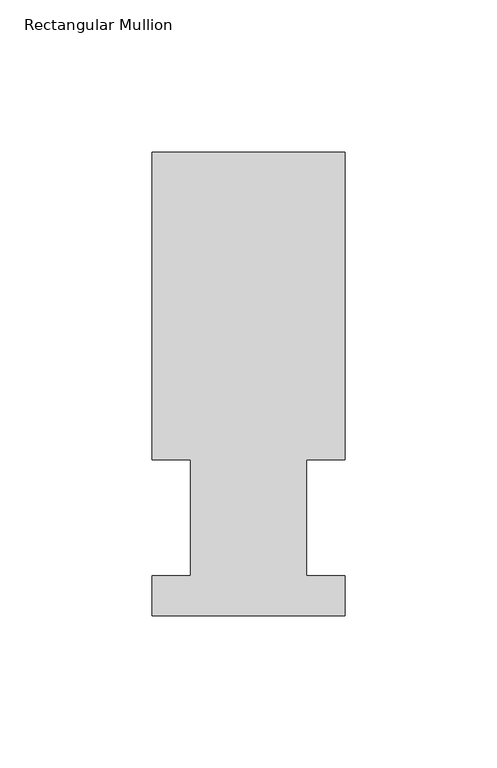
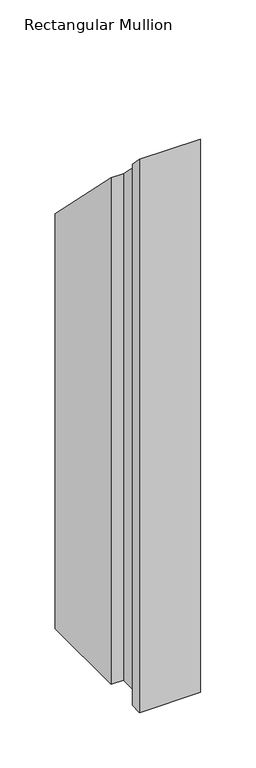
"""IFC4 building model written with IfcOpenShell, lengths in millimetres: member geometry, Rectangular Mullion."""

from ifc_helpers import new_model, si_unit, origin, place, context, project, spatial, faceted_brep, source, transform, mapped, element, save


def rectangular_mullion_51972241(model_context):
    return source(origin(), model_context, "Body", "Brep", [
        faceted_brep([(-63.5, 152.4896937, -609.6023813), (0.0127, 152.4896937, -609.6023813), (0.0127, 51.2960937, -609.6023813), (-12.6873, 51.2960938, -609.6023813), (-12.6873, 13.1960937, -609.6023813), (0.0, 13.1960937, -609.6023813), (0.0, 0.0134937, -609.6023813), (-63.5, 0.0134937, -609.6023813), (-63.5, 13.1960937, -609.6023813), (-50.8000001, 13.1960937, -609.6023813), (-50.8000001, 51.2960937, -609.6023813), (-63.5, 51.2960937, -609.6023813), (-63.5, 51.2960937, -51.2960937), (-63.5, 152.4896937, -152.4896937), (-50.8000001, 51.2960937, -51.2960937), (-50.8000001, 13.1960937, -13.1960937), (-63.5, 13.1960937, -13.1960937), (-63.5, 0.0134937, -0.0134937), (0.0, 0.0134937, -0.0134937), (0.0, 13.1960937, -13.1960937), (-12.6873, 13.1960937, -13.1960937), (-12.6873, 51.2960938, -51.2960938), (0.0127, 51.2960937, -51.2960938), (0.0127, 152.4896937, -152.4896937)], [[[0, 1, 2, 3, 4, 5, 6, 7, 8, 9, 10, 11]], [[12, 13, 0, 11]], [[14, 12, 11, 10]], [[15, 14, 10, 9]], [[16, 15, 9, 8]], [[17, 16, 8, 7]], [[18, 17, 7, 6]], [[19, 18, 6, 5]], [[20, 19, 5, 4]], [[21, 20, 4, 3]], [[22, 21, 3, 2]], [[23, 22, 2, 1]], [[13, 23, 1, 0]], [[13, 12, 14, 15, 16, 17, 18, 19, 20, 21, 22, 23]]]),
    ])


if __name__ == "__main__":
    model = new_model("IFC4")
    model_context = context("Model", 3, world=origin())
    ifc_project = project(units=[si_unit("LENGTHUNIT", "METRE", prefix="MILLI")], contexts=[model_context])
    site = spatial("IfcSite", under=ifc_project)
    building = spatial("IfcBuilding", under=site)
    placement = place(None, origin())
    rectangular_mullion_shape = rectangular_mullion_51972241(model_context)
    element("IfcMember", 1, ObjectType="Rectangular Mullion", at=placement, inside=building, context=model_context, shape_type="MappedRepresentation", body=[
        mapped(rectangular_mullion_shape, transform((0.0, 0.0, 0.0), x_axis=(1.0, 0.0, 0.0), y_axis=(0.0, 1.0, 0.0), z_axis=(0.0, 0.0, 1.0))),
    ])
    save(model, "model.ifc")
